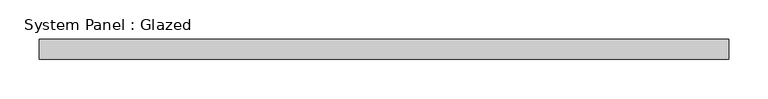
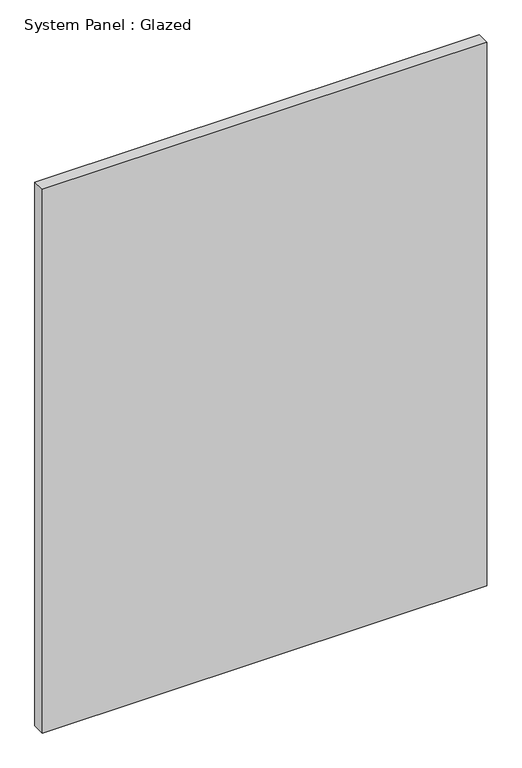
"""IFC4 building model written with IfcOpenShell, lengths in millimetres: plate geometry, System Panel : Glazed."""

from ifc_helpers import new_model, si_unit, origin, origin_with_axes, place, context, project, spatial, polyline, outline, extrude, source, transform, mapped, element, save


def system_panel_glazed_c5c879ce(model_context):
    return source(origin(), model_context, "Body", "SweptSolid", [
        extrude(outline(polyline([(438.1038418, 19.05), (-438.1038418, 19.05), (-438.1038418, 44.45), (438.1038418, 44.45), (438.1038418, 19.05)])), origin_with_axes(), (0.0, 0.0, 1.0), 1133.4701083),
    ])


if __name__ == "__main__":
    model = new_model("IFC4")
    model_context = context("Model", 3, world=origin())
    ifc_project = project(units=[si_unit("LENGTHUNIT", "METRE", prefix="MILLI")], contexts=[model_context])
    site = spatial("IfcSite", under=ifc_project)
    building = spatial("IfcBuilding", under=site)
    placement = place(None, origin())
    system_panel_glazed_shape = system_panel_glazed_c5c879ce(model_context)
    element("IfcPlate", 1, ObjectType="System Panel : Glazed", at=placement, inside=building, context=model_context, shape_type="MappedRepresentation", body=[
        mapped(system_panel_glazed_shape, transform((0.0, 0.0, 0.0), x_axis=(1.0, 0.0, 0.0), y_axis=(0.0, 1.0, 0.0), z_axis=(0.0, 0.0, 1.0))),
    ])
    save(model, "model.ifc")
